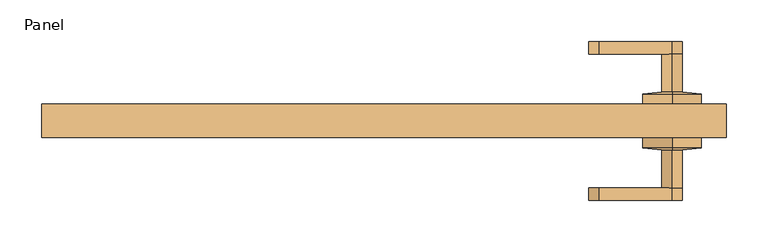
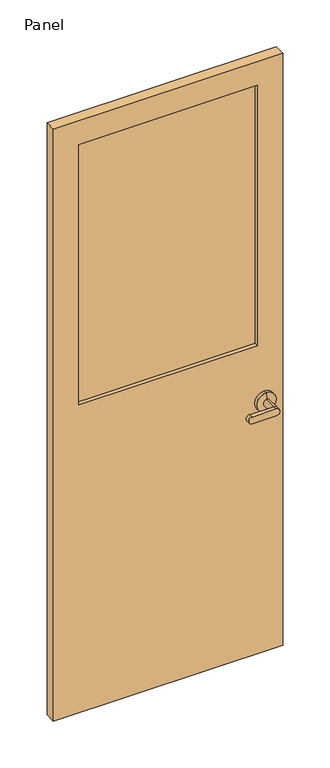
"""IFC4 building model written with IfcOpenShell, lengths in millimetres: door geometry, Panel."""

from ifc_helpers import new_model, si_unit, frame, origin, place, context, project, spatial, polyline, circle_curve, outline, extrude, source, transform, mapped, element, save
from ifc_brep_helpers import plane_surface, cylinder_surface, revolved_surface, advanced_brep


def panel_f4691598(model_context):
    return source(origin(), model_context, "Body", "SolidModel", [
        advanced_brep(
        [(345.0, 20.0, 915.0), (345.0, 20.0, 985.0), (345.0, 32.5, 985.0), (345.0, 32.5, 915.0), (345.0, 20.0, 950.0), (345.0, 35.0, 962.5), (345.0, 35.0, 937.5), (345.0, 80.0, 937.5), (345.0, 80.0, 962.5), (257.5490766, 80.0, 962.5), (257.5490766, 80.0, 937.5), (257.5490766, 95.0, 962.5), (345.0, 95.0, 962.5), (345.0, 95.0, 937.5), (257.5490766, 95.0, 937.5)],
        [
            (0, 1, circle_curve(frame((345.0, 20.0, 950.0), z_axis=(0.0, 1.0, 0.0), x_axis=(0.0, 0.0, 1.0)), 35.0)),
            (1, 2),
            (2, 3, circle_curve(frame((345.0, 32.5, 950.0), z_axis=(0.0, -1.0, 0.0), x_axis=(0.0, 0.0, 1.0)), 35.0)),
            (3, 0),
            (1, 0, circle_curve(frame((345.0, 20.0, 950.0), z_axis=(0.0, 1.0, 0.0), x_axis=(0.0, 0.0, 1.0)), 35.0)),
            (3, 2, circle_curve(frame((345.0, 32.5, 950.0), z_axis=(0.0, -1.0, 0.0), x_axis=(0.0, 0.0, 1.0)), 35.0)),
            (0, 4),
            (4, 1),
            (2, 5),
            (5, 6, circle_curve(frame((345.0, 35.0, 950.0), z_axis=(0.0, -1.0, 0.0), x_axis=(0.0, 0.0, 1.0)), 12.5)),
            (6, 3),
            (6, 5, circle_curve(frame((345.0, 35.0, 950.0), z_axis=(0.0, -1.0, 0.0), x_axis=(0.0, 0.0, 1.0)), 12.5)),
            (6, 7),
            (7, 8, circle_curve(frame((345.0, 80.0, 950.0), z_axis=(0.0, -1.0, 0.0), x_axis=(0.0, 0.0, 1.0)), 12.5)),
            (8, 5),
            (8, 7, circle_curve(frame((345.0, 80.0, 950.0), z_axis=(0.0, -1.0, 0.0), x_axis=(0.0, 0.0, 1.0)), 12.5)),
            (9, 10, circle_curve(frame((257.5490766, 80.0, 950.0), z_axis=(0.0, -1.0, 0.0), x_axis=(1.0, 0.0, 0.0)), 12.5)),
            (10, 7),
            (8, 9),
            (11, 12),
            (12, 13, circle_curve(frame((345.0, 95.0, 950.0), z_axis=(0.0, 1.0, 0.0), x_axis=(1.0, 0.0, 0.0)), 12.5)),
            (13, 14),
            (14, 11, circle_curve(frame((257.5490766, 95.0, 950.0), z_axis=(0.0, 1.0, 0.0), x_axis=(1.0, 0.0, 0.0)), 12.5)),
            (9, 11),
            (14, 10),
            (13, 7),
            (12, 8),
        ],
        [
            cylinder_surface(frame((345.0, 50.3527618, 950.0), z_axis=(0.0, -1.0, 0.0), x_axis=(0.0, 0.0, 1.0)), 35.0),
            plane_surface(frame((345.0, 20.0, 950.0), z_axis=(0.0, -1.0, 0.0), x_axis=(0.0, 0.0, 1.0))),
            revolved_surface(polyline([(345.0, 35.0, 962.5), (345.0, 32.5, 985.0)]), (345.0, 50.3527618, 950.0), (0.0, -1.0, 0.0)),
            cylinder_surface(frame((345.0, 80.0, 950.0), z_axis=(0.0, -1.0, 0.0), x_axis=(0.0, 0.0, 1.0)), 12.5),
            plane_surface(frame((270.0490766, 80.0, 950.0), z_axis=(0.0, -1.0, 0.0), x_axis=(0.0, 0.0, 1.0))),
            plane_surface(frame((270.0490766, 95.0, 950.0), z_axis=(0.0, 1.0, 0.0), x_axis=(0.0, 0.0, -1.0))),
            cylinder_surface(frame((257.5490766, 95.0, 950.0), z_axis=(0.0, -1.0, 0.0), x_axis=(1.0, 0.0, 0.0)), 12.5),
            plane_surface(frame((257.5490766, 80.0, 937.5), z_axis=(0.0, 0.0, -1.0), x_axis=(0.0, 1.0, 0.0))),
            cylinder_surface(frame((345.0, 95.0, 950.0), z_axis=(0.0, -1.0, 0.0), x_axis=(1.0, 0.0, 0.0)), 12.5),
            plane_surface(frame((345.0, 80.0, 962.5), z_axis=(0.0, 0.0, 1.0), x_axis=(0.0, 1.0, 0.0))),
        ],
        [
            (0, [[1, 2, 3, 4]]),
            (0, [[-2, 5, -4, 6]]),
            (1, [[-1, 7, 8]]),
            (1, [[-5, -8, -7]]),
            (2, [[-3, 9, 10, 11]]),
            (2, [[-6, -11, 12, -9]]),
            (3, [[13, 14, 15, -12]]),
            (3, [[-13, -10, -15, 16]]),
            (4, [[17, 18, -16, 19]]),
            (5, [[20, 21, 22, 23]]),
            (6, [[-17, 24, -23, 25]]),
            (7, [[-18, -25, -22, 26]]),
            (8, [[-21, 27, -14, -26]]),
            (9, [[-19, -27, -20, -24]]),
        ],
    ),
        advanced_brep(
        [(345.0, -20.0, 915.0), (345.0, -32.5, 915.0), (345.0, -32.5, 985.0), (345.0, -20.0, 985.0), (345.0, -20.0, 950.0), (345.0, -35.0, 937.5), (345.0, -35.0, 962.5), (345.0, -80.0, 962.5), (345.0, -80.0, 937.5), (257.5490766, -80.0, 962.5), (257.5490766, -80.0, 937.5), (257.5490766, -95.0, 962.5), (257.5490766, -95.0, 937.5), (345.0, -95.0, 937.5), (345.0, -95.0, 962.5)],
        [
            (0, 1),
            (1, 2, circle_curve(frame((345.0, -32.5, 950.0), z_axis=(0.0, 1.0, 0.0), x_axis=(0.0, 0.0, 1.0)), 35.0)),
            (2, 3),
            (3, 0, circle_curve(frame((345.0, -20.0, 950.0), z_axis=(0.0, -1.0, 0.0), x_axis=(0.0, 0.0, 1.0)), 35.0)),
            (2, 1, circle_curve(frame((345.0, -32.5, 950.0), z_axis=(0.0, 1.0, 0.0), x_axis=(0.0, 0.0, 1.0)), 35.0)),
            (0, 3, circle_curve(frame((345.0, -20.0, 950.0), z_axis=(0.0, -1.0, 0.0), x_axis=(0.0, 0.0, 1.0)), 35.0)),
            (3, 4),
            (4, 0),
            (1, 5),
            (5, 6, circle_curve(frame((345.0, -35.0, 950.0), z_axis=(0.0, 1.0, 0.0), x_axis=(0.0, 0.0, 1.0)), 12.5)),
            (6, 2),
            (6, 5, circle_curve(frame((345.0, -35.0, 950.0), z_axis=(0.0, 1.0, 0.0), x_axis=(0.0, 0.0, 1.0)), 12.5)),
            (6, 7),
            (7, 8, circle_curve(frame((345.0, -80.0, 950.0), z_axis=(0.0, 1.0, 0.0), x_axis=(0.0, 0.0, 1.0)), 12.5)),
            (8, 5),
            (8, 7, circle_curve(frame((345.0, -80.0, 950.0), z_axis=(0.0, 1.0, 0.0), x_axis=(0.0, 0.0, 1.0)), 12.5)),
            (9, 7),
            (8, 10),
            (10, 9, circle_curve(frame((257.5490766, -80.0, 950.0), z_axis=(0.0, 1.0, 0.0), x_axis=(1.0, 0.0, 0.0)), 12.5)),
            (11, 12, circle_curve(frame((257.5490766, -95.0, 950.0), z_axis=(0.0, -1.0, 0.0), x_axis=(1.0, 0.0, 0.0)), 12.5)),
            (12, 13),
            (13, 14, circle_curve(frame((345.0, -95.0, 950.0), z_axis=(0.0, -1.0, 0.0), x_axis=(1.0, 0.0, 0.0)), 12.5)),
            (14, 11),
            (10, 12),
            (11, 9),
            (8, 13),
            (7, 14),
        ],
        [
            cylinder_surface(frame((345.0, -50.3527618, 950.0), z_axis=(0.0, 1.0, 0.0), x_axis=(0.0, 0.0, 1.0)), 35.0),
            plane_surface(frame((345.0, -20.0, 950.0), z_axis=(0.0, 1.0, 0.0), x_axis=(0.0, 0.0, 1.0))),
            revolved_surface(polyline([(345.0, -35.0, 962.5), (345.0, -32.5, 985.0)]), (345.0, -50.3527618, 950.0), (0.0, 1.0, 0.0)),
            cylinder_surface(frame((345.0, -80.0, 950.0), z_axis=(0.0, 1.0, 0.0), x_axis=(0.0, 0.0, 1.0)), 12.5),
            plane_surface(frame((270.0490766, -80.0, 950.0), z_axis=(0.0, 1.0, 0.0), x_axis=(0.0, 0.0, 1.0))),
            plane_surface(frame((270.0490766, -95.0, 950.0), z_axis=(0.0, -1.0, 0.0), x_axis=(0.0, 0.0, -1.0))),
            cylinder_surface(frame((257.5490766, -95.0, 950.0), z_axis=(0.0, 1.0, 0.0), x_axis=(1.0, 0.0, 0.0)), 12.5),
            plane_surface(frame((257.5490766, -80.0, 937.5), z_axis=(0.0, 0.0, -1.0), x_axis=(0.0, -1.0, 0.0))),
            cylinder_surface(frame((345.0, -95.0, 950.0), z_axis=(0.0, 1.0, 0.0), x_axis=(1.0, 0.0, 0.0)), 12.5),
            plane_surface(frame((345.0, -80.0, 962.5), z_axis=(0.0, 0.0, 1.0), x_axis=(0.0, -1.0, 0.0))),
        ],
        [
            (0, [[1, 2, 3, 4]]),
            (0, [[5, -1, 6, -3]]),
            (1, [[7, 8, -4]]),
            (1, [[-8, -7, -6]]),
            (2, [[9, 10, 11, -2]]),
            (2, [[-11, 12, -9, -5]]),
            (3, [[-12, 13, 14, 15]]),
            (3, [[16, -13, -10, -15]]),
            (4, [[17, -16, 18, 19]]),
            (5, [[20, 21, 22, 23]]),
            (6, [[24, -20, 25, -19]]),
            (7, [[26, -21, -24, -18]]),
            (8, [[-26, -14, 27, -22]]),
            (9, [[-25, -23, -27, -17]]),
        ],
    ),
        extrude(outline(polyline([(320.0, 5.0), (320.0, -5.0), (-320.0, -5.0), (-320.0, 5.0), (320.0, 5.0)])), frame((0.0, 0.0, 1165.0), z_axis=(0.0, 0.0, 1.0), x_axis=(1.0, 0.0, 0.0)), (0.0, 0.0, 1.0), 985.0),
        extrude(outline(polyline([(2240.0, -410.0), (0.0, -410.0), (0.0, 410.0), (2240.0, 410.0), (2240.0, -410.0)]), holes=[polyline([(2150.0, -320.0), (2150.0, 320.0), (1165.0, 320.0), (1165.0, -320.0), (2150.0, -320.0)])]), frame((0.0, -20.0, 0.0), z_axis=(0.0, 1.0, 0.0), x_axis=(0.0, 0.0, 1.0)), (0.0, 0.0, 1.0), 40.0),
    ])


if __name__ == "__main__":
    model = new_model("IFC4")
    model_context = context("Model", 3, world=origin())
    ifc_project = project(units=[si_unit("LENGTHUNIT", "METRE", prefix="MILLI")], contexts=[model_context])
    site = spatial("IfcSite", under=ifc_project)
    building = spatial("IfcBuilding", under=site)
    placement = place(None, origin())
    panel_shape = panel_f4691598(model_context)
    element("IfcDoor", 1, ObjectType="Panel", at=placement, inside=building, context=model_context, shape_type="MappedRepresentation", body=[
        mapped(panel_shape, transform((0.0, 0.0, 0.0), x_axis=(1.0, 0.0, 0.0), y_axis=(0.0, 1.0, 0.0), z_axis=(0.0, 0.0, 1.0))),
    ])
    save(model, "model.ifc")
